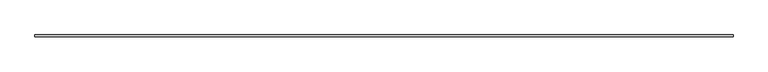
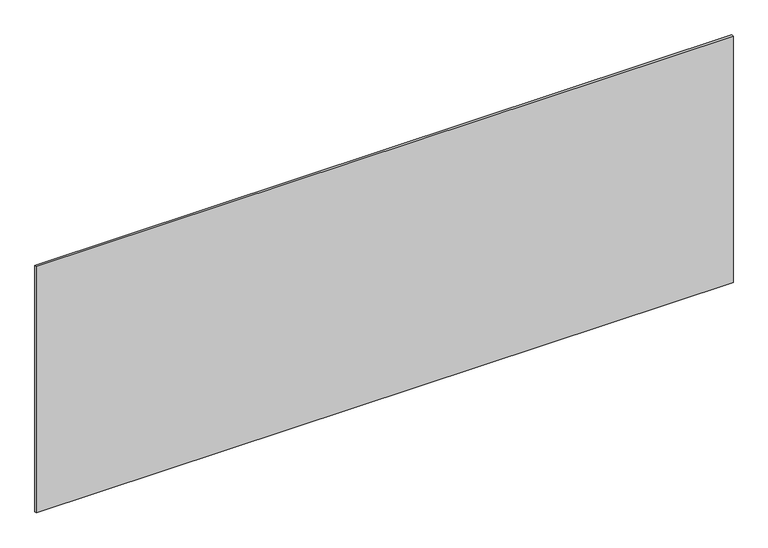
"""IFC4 building model written with IfcOpenShell, lengths in millimetres: plate geometry."""

from ifc_helpers import new_model, si_unit, origin, origin_with_axes, place, context, project, spatial, polyline, outline, extrude, source, transform, mapped, element, save


def plate_19c2a344(model_context):
    return source(origin(), model_context, "Body", "SweptSolid", [
        extrude(outline(polyline([(1697.5, -5.0), (-1697.5, -5.0), (-1697.5, 5.0), (1697.5, 5.0), (1697.5, -5.0)])), origin_with_axes(), (0.0, 0.0, 1.0), 1269.4397071),
    ])


if __name__ == "__main__":
    model = new_model("IFC4")
    model_context = context("Model", 3, world=origin())
    ifc_project = project(units=[si_unit("LENGTHUNIT", "METRE", prefix="MILLI")], contexts=[model_context])
    site = spatial("IfcSite", under=ifc_project)
    building = spatial("IfcBuilding", under=site)
    placement = place(None, origin())
    plate_shape = plate_19c2a344(model_context)
    element("IfcPlate", 1, at=placement, inside=building, context=model_context, shape_type="MappedRepresentation", body=[
        mapped(plate_shape, transform((0.0, 0.0, 0.0), x_axis=(1.0, 0.0, 0.0), y_axis=(0.0, 1.0, 0.0), z_axis=(0.0, 0.0, 1.0))),
    ])
    save(model, "model.ifc")
